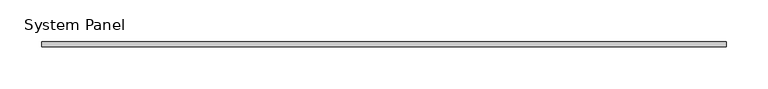
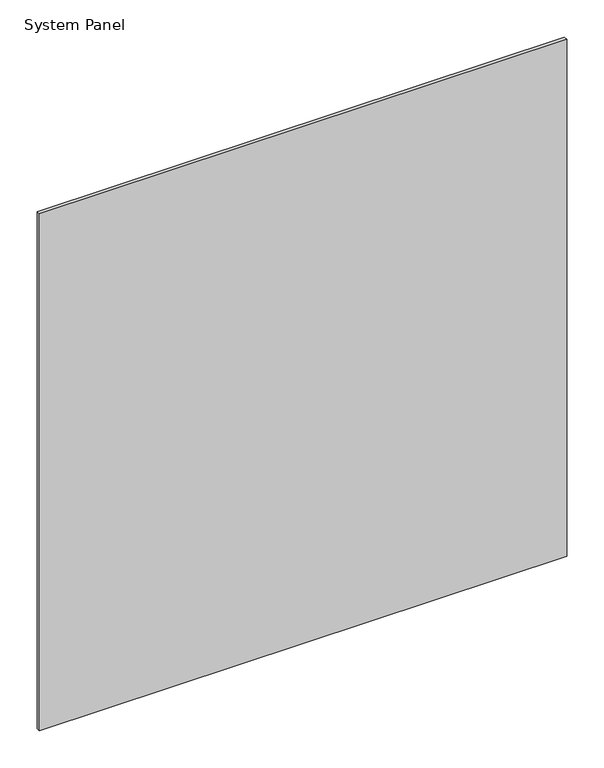
"""IFC4 building model written with IfcOpenShell, lengths in millimetres: plate geometry, System Panel."""

from ifc_helpers import new_model, si_unit, origin, origin_with_axes, place, context, project, spatial, polyline, outline, extrude, source, transform, mapped, element, save


def system_panel_0b57f19f(model_context):
    return source(origin(), model_context, "Body", "SweptSolid", [
        extrude(outline(polyline([(410.0, -3.0), (-410.0, -3.0), (-410.0, 3.0), (410.0, 3.0), (410.0, -3.0)])), origin_with_axes(), (0.0, 0.0, 1.0), 850.0),
    ])


if __name__ == "__main__":
    model = new_model("IFC4")
    model_context = context("Model", 3, world=origin())
    ifc_project = project(units=[si_unit("LENGTHUNIT", "METRE", prefix="MILLI")], contexts=[model_context])
    site = spatial("IfcSite", under=ifc_project)
    building = spatial("IfcBuilding", under=site)
    placement = place(None, origin())
    system_panel_shape = system_panel_0b57f19f(model_context)
    element("IfcPlate", 1, ObjectType="System Panel", at=placement, inside=building, context=model_context, shape_type="MappedRepresentation", body=[
        mapped(system_panel_shape, transform((0.0, 0.0, 0.0), x_axis=(1.0, 0.0, 0.0), y_axis=(0.0, 1.0, 0.0), z_axis=(0.0, 0.0, 1.0))),
    ])
    save(model, "model.ifc")
